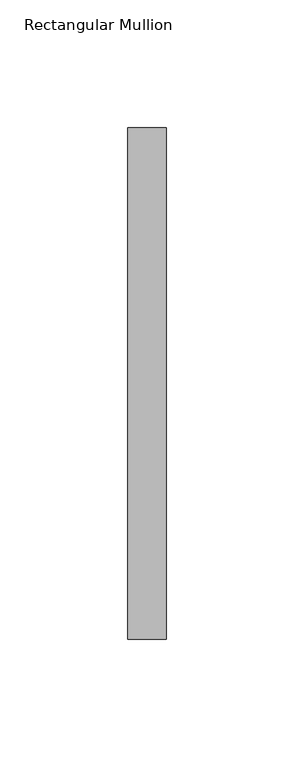
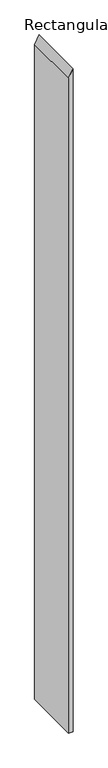
"""IFC4 building model written with IfcOpenShell, lengths in millimetres: member geometry, Rectangular Mullion."""

from ifc_helpers import new_model, si_unit, frame, origin, place, context, project, spatial, polyline, outline, extrude, source, transform, mapped, element, save


def rectangular_mullion_556480e3(model_context):
    return source(origin(), model_context, "Body", "SweptSolid", [
        extrude(outline(polyline([(0.0, 0.0), (-29.5537348, -15.0), (-2388.1988748, -15.0), (-2388.1988748, 0.0), (0.0, 0.0)])), frame((0.0, -253.0, 0.0), z_axis=(0.0, 1.0, 0.0), x_axis=(0.0, 0.0, 1.0)), (0.0, 0.0, 1.0), 200.0),
    ])


if __name__ == "__main__":
    model = new_model("IFC4")
    model_context = context("Model", 3, world=origin())
    ifc_project = project(units=[si_unit("LENGTHUNIT", "METRE", prefix="MILLI")], contexts=[model_context])
    site = spatial("IfcSite", under=ifc_project)
    building = spatial("IfcBuilding", under=site)
    placement = place(None, origin())
    rectangular_mullion_shape = rectangular_mullion_556480e3(model_context)
    element("IfcMember", 1, ObjectType="Rectangular Mullion", at=placement, inside=building, context=model_context, shape_type="MappedRepresentation", body=[
        mapped(rectangular_mullion_shape, transform((0.0, 0.0, 0.0), x_axis=(1.0, 0.0, 0.0), y_axis=(0.0, 1.0, 0.0), z_axis=(0.0, 0.0, 1.0))),
    ])
    save(model, "model.ifc")
